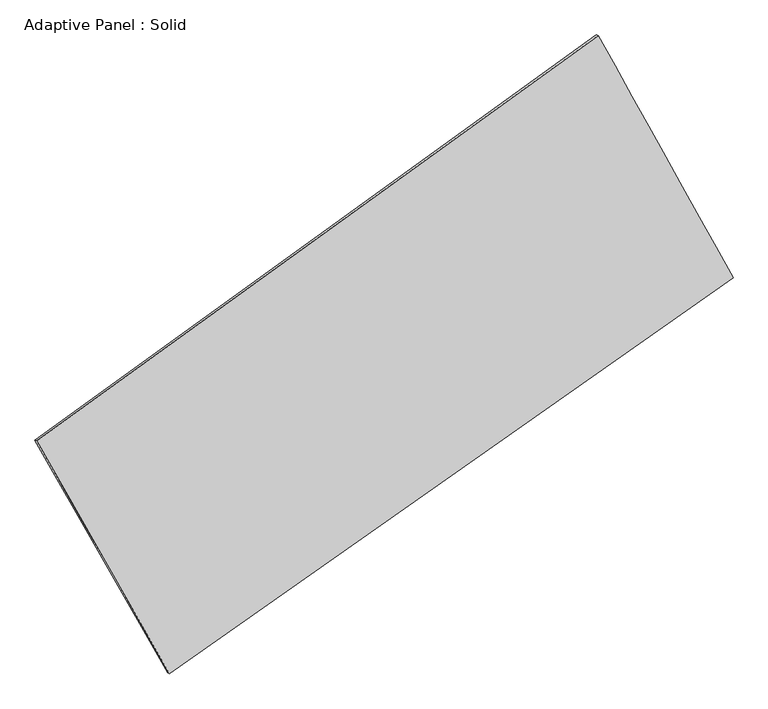
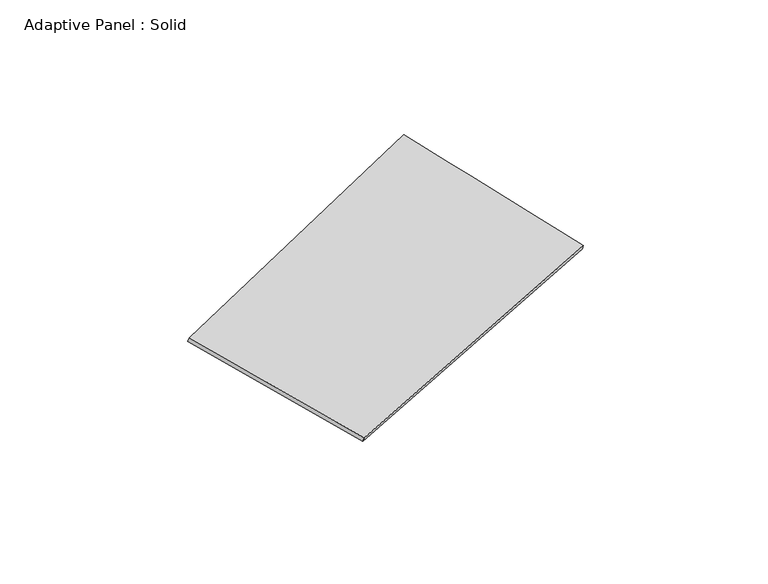
"""IFC4 building model written with IfcOpenShell, lengths in millimetres: plate geometry, Adaptive Panel : Solid."""

import ifcopenshell
import ifcopenshell.guid

model = None  # the IFC model being written
_history = None  # IfcOwnerHistory: only IFC2X3 demands one
_inside = {}  # id of a spatial element -> (the spatial element, [elements in it])
_under = {}  # id of a project, library or spatial element -> (it, [spatial elements below it])
_declared = {}  # id of a project -> (the project, [libraries it declares])
_typed = {}  # id of a type object -> (the type object, [elements of that type])
_made_of = {}  # id of a material, layer set ... -> (it, [elements and type objects made of it])


def new_model(schema):
    """Start an empty IFC model of exactly this schema.

    Asked for "IFC4X3", IfcOpenShell would pick the latest addendum, in which some entities
    have other attributes; the version numbers below select the first issue.
    IFC2X3 requires an IfcOwnerHistory on every rooted entity: one is made here for all.
    """
    global model, _history
    if schema == "IFC4X3":
        model = ifcopenshell.file(schema_version=(4, 3, 0, 0))
    else:
        model = ifcopenshell.file(schema=schema)
    _inside.clear()
    _under.clear()
    _declared.clear()
    _typed.clear()
    _made_of.clear()
    _history = None
    if model.schema == "IFC2X3":
        org = make("IfcOrganization", Name="unknown")
        user = make(
            "IfcPersonAndOrganization",
            ThePerson=make("IfcPerson", FamilyName="unknown"),
            TheOrganization=org,
        )
        app = make(
            "IfcApplication",
            ApplicationDeveloper=org,
            Version="unknown",
            ApplicationFullName="unknown",
            ApplicationIdentifier="unknown",
        )
        _history = make(
            "IfcOwnerHistory",
            OwningUser=user,
            OwningApplication=app,
            ChangeAction="ADDED",
            CreationDate=0,
        )
    return model


def make(cls, **values):
    """One entity of the class cls with the attributes given. An attribute that is None is left unset."""
    return model.create_entity(
        cls, **{name: value for name, value in values.items() if value is not None}
    )


def rooted(cls, **values):
    """An entity with a GlobalId (a new one), such as an element, a storey or a relation."""
    return make(cls, GlobalId=ifcopenshell.guid.new(), OwnerHistory=_history, **values)


def si_unit(unit_type, name, prefix=None):
    """IfcSIUnit, for example si_unit("LENGTHUNIT", "METRE", prefix="MILLI")."""
    return make("IfcSIUnit", UnitType=unit_type, Prefix=prefix, Name=name)


def assignment(units):
    """IfcUnitAssignment: the units of a project."""
    return None if units is None else make("IfcUnitAssignment", Units=units)


def point(xyz):
    """IfcCartesianPoint."""
    return None if xyz is None else make("IfcCartesianPoint", Coordinates=xyz)


def direction(xyz):
    """IfcDirection."""
    return None if xyz is None else make("IfcDirection", DirectionRatios=xyz)


def frame(location, z_axis=None, x_axis=None):
    """IfcAxis2Placement3D, a coordinate frame: its origin and axes. An axis left out is left unset."""
    return make(
        "IfcAxis2Placement3D",
        Location=point(location),
        Axis=direction(z_axis),
        RefDirection=direction(x_axis),
    )


def origin():
    """The frame at (0, 0, 0) with its axes left unset."""
    return frame((0.0, 0.0, 0.0))


def place(relative_to, where):
    """IfcLocalPlacement: puts the frame where relative to a parent placement (None: the world)."""
    return make(
        "IfcLocalPlacement", PlacementRelTo=relative_to, RelativePlacement=where
    )


def context(
    kind, dimensions, precision=None, world=None, true_north=None, identifier=None
):
    """IfcGeometricRepresentationContext, for example the 3D "Model" context."""
    return make(
        "IfcGeometricRepresentationContext",
        ContextIdentifier=identifier,
        ContextType=kind,
        CoordinateSpaceDimension=dimensions,
        Precision=precision,
        WorldCoordinateSystem=world,
        TrueNorth=true_north,
    )


def project(units=None, contexts=None):
    """IfcProject with its units and contexts."""
    return rooted(
        "IfcProject",
        Name="project",
        RepresentationContexts=contexts,
        UnitsInContext=assignment(units),
    )


def spatial(cls, under=None, at=None, **own):
    """A site, building, storey or space (cls), placed at a placement, below another one or the project."""
    s = rooted(cls, ObjectPlacement=at, **own)
    if under is not None:
        _under.setdefault(under.id(), (under, []))[1].append(s)
    return s


def shape(context_of_items, identifier, shape_type, items):
    """IfcShapeRepresentation: the items that make up one representation, for example the "Body"."""
    return make(
        "IfcShapeRepresentation",
        ContextOfItems=context_of_items,
        RepresentationIdentifier=identifier,
        RepresentationType=shape_type,
        Items=items,
    )


def source(mapping_origin, context_of_items, identifier, shape_type, items):
    """IfcRepresentationMap: a shape defined once, which mapped items show again and again."""
    return make(
        "IfcRepresentationMap",
        MappingOrigin=mapping_origin,
        MappedRepresentation=shape(context_of_items, identifier, shape_type, items),
    )


def transform(
    local_origin,
    x_axis=None,
    y_axis=None,
    z_axis=None,
    scale=None,
    scale2=None,
    scale3=None,
    uniform=True,
):
    """IfcCartesianTransformationOperator3D, or its non-uniform kind. x_axis, y_axis, z_axis: its Axis1, 2, 3."""
    if uniform:
        return make(
            "IfcCartesianTransformationOperator3D",
            Axis1=direction(x_axis),
            Axis2=direction(y_axis),
            LocalOrigin=point(local_origin),
            Scale=scale,
            Axis3=direction(z_axis),
        )
    return make(
        "IfcCartesianTransformationOperator3DnonUniform",
        Axis1=direction(x_axis),
        Axis2=direction(y_axis),
        LocalOrigin=point(local_origin),
        Scale=scale,
        Axis3=direction(z_axis),
        Scale2=scale2,
        Scale3=scale3,
    )


def mapped(mapping_source, mapping_target):
    """IfcMappedItem: shows the shape of a source again, moved by a transform."""
    return make(
        "IfcMappedItem", MappingSource=mapping_source, MappingTarget=mapping_target
    )


def made_of(thing, what):
    """Note that an element or type object is made of a material, layer set ...; save() writes the relation."""
    if what is not None:
        _made_of.setdefault(what.id(), (what, []))[1].append(thing)
    return thing


def element(
    cls,
    number,
    at=None,
    inside=None,
    cuts=None,
    type_object=None,
    material=None,
    context=None,
    identifier="Body",
    shape_type=None,
    held_by="IfcProductDefinitionShape",
    body=None,
    shapes=None,
    **own,
):
    """One element of the class cls, such as IfcWall. Its Tag is "e" and its number.

    at: its placement. inside: the storey or other place that contains it. cuts: it is an
    opening in that element (IfcRelVoidsElement). A single representation is given by context,
    identifier, shape_type and body (its items); several are given by shapes. held_by: the class
    of the entity that holds the representations. save() writes the other relations.
    """
    e = rooted(cls, Tag="e%d" % number, ObjectPlacement=at, **own)
    if body is not None:
        shapes = [shape(context, identifier, shape_type, body)]
    if shapes is not None:
        e.Representation = make(held_by, Representations=shapes)
    if inside is not None:
        _inside.setdefault(inside.id(), (inside, []))[1].append(e)
    if cuts is not None:
        rooted(
            "IfcRelVoidsElement", RelatingBuildingElement=cuts, RelatedOpeningElement=e
        )
    if type_object is not None:
        _typed.setdefault(type_object.id(), (type_object, []))[1].append(e)
    return made_of(e, material)


def aggregate(whole, parts):
    """IfcRelAggregates: a whole, such as a stair, and the parts it consists of."""
    return rooted("IfcRelAggregates", RelatingObject=whole, RelatedObjects=parts)


def save(model, path):
    """Write the relations noted so far, then the file.

    IfcRelAggregates (storeys below a building ...), IfcRelContainedInSpatialStructure (elements
    in a storey), IfcRelDefinesByType, IfcRelAssociatesMaterial and IfcRelDeclares: one each for
    every whole, place, type object, material and project.
    """
    for whole, parts in _under.values():
        aggregate(whole, parts)
    for where, things in _inside.values():
        rooted(
            "IfcRelContainedInSpatialStructure",
            RelatedElements=things,
            RelatingStructure=where,
        )
    for kind, things in _typed.values():
        rooted("IfcRelDefinesByType", RelatedObjects=things, RelatingType=kind)
    for what, things in _made_of.values():
        rooted("IfcRelAssociatesMaterial", RelatedObjects=things, RelatingMaterial=what)
    for by, libraries in _declared.values():
        rooted("IfcRelDeclares", RelatingContext=by, RelatedDefinitions=libraries)
    model.write(path)


def plane_surface(at):
    """IfcPlane: the flat surface through the origin of the frame at, square to its z axis."""
    return make("IfcPlane", Position=at)


def spline_surface(u_degree, v_degree, points, u_multiplicities, v_multiplicities, u_knots, v_knots, weights=None):
    """IfcBSplineSurfaceWithKnots; with weights, IfcRationalBSplineSurfaceWithKnots. points: one row for each step in u."""
    own = dict(
        UDegree=u_degree,
        VDegree=v_degree,
        ControlPointsList=[[point(p) for p in row] for row in points],
        SurfaceForm="UNSPECIFIED",
        UClosed=False,
        VClosed=False,
        SelfIntersect=False,
        UMultiplicities=u_multiplicities,
        VMultiplicities=v_multiplicities,
        UKnots=u_knots,
        VKnots=v_knots,
        KnotSpec="UNSPECIFIED",
    )
    if weights is None:
        return make("IfcBSplineSurfaceWithKnots", **own)
    return make("IfcRationalBSplineSurfaceWithKnots", WeightsData=weights, **own)


def advanced_brep(points, edges, surfaces, faces):
    """IfcAdvancedBrep: a solid bounded by faces that lie on surfaces and meet in shared edges.

    An edge is (start, end): straight between two places in points (the first is 0);
    or (start, end, curve); or (start, end, curve, False) where it runs against its curve.
    A face is (place in surfaces, loops), or (place, loops, False) where it looks against
    its surface's normal. A loop lists edges by number (the first is 1), with a minus sign
    where the edge is run from its end to its start. The first loop is the outer one.
    """
    corners = [point(p) for p in points]
    vertices = [make("IfcVertexPoint", VertexGeometry=c) for c in corners]
    made = []
    for start, end, *more in edges:
        made.append(
            make(
                "IfcEdgeCurve",
                EdgeStart=vertices[start],
                EdgeEnd=vertices[end],
                EdgeGeometry=more[0] if more else make("IfcPolyline", Points=[corners[start], corners[end]]),
                SameSense=more[1] if len(more) > 1 else True,
            )
        )
    hull = []
    for where, loops, *sense in faces:
        bounds = []
        for j, loop in enumerate(loops):
            ring = [make("IfcOrientedEdge", EdgeElement=made[abs(k) - 1], Orientation=k > 0) for k in loop]
            bounds.append(
                make(
                    "IfcFaceOuterBound" if j == 0 else "IfcFaceBound",
                    Bound=make("IfcEdgeLoop", EdgeList=ring),
                    Orientation=True,
                )
            )
        hull.append(make("IfcAdvancedFace", Bounds=bounds, FaceSurface=surfaces[where], SameSense=sense[0] if sense else True))
    return make("IfcAdvancedBrep", Outer=make("IfcClosedShell", CfsFaces=hull))


def adaptive_panel_solid_5d2118bd(model_context):
    return source(origin(), model_context, "Body", "AdvancedBrep", [
        advanced_brep(
        [(1149.0189493, 2604.5376907, 700.5570373), (-3577.2983791, -806.3402475, 1658.9677948), (-3562.6320233, -812.720341, 1706.3407028), (1163.6853051, 2598.1575972, 747.9299454), (-2459.8406224, -2766.2436122, 1095.4963642), (-2445.1742665, -2772.6237056, 1142.8692722), (2284.829474, 567.7975962, 30.1013239), (2299.4958299, 561.4175027, 77.4742319)],
        [
            (0, 1),
            (1, 2),
            (2, 3),
            (3, 0),
            (1, 4),
            (4, 5),
            (5, 2),
            (4, 6),
            (6, 7),
            (7, 5),
            (6, 0),
            (3, 7),
        ],
        [
            plane_surface(frame((-1214.1397149, 899.0987216, 1179.7624161), z_axis=(-0.5264157721457912, 0.8057176566049543, 0.27148755527863766), x_axis=(-0.8001436124052806, -0.5774458220447641, 0.16225449802724892))),
            plane_surface(frame((-3018.5695007, -1786.2919298, 1377.2320795), z_axis=(-0.8296126031966645, -0.5264690005338487, 0.18593902251583572), x_axis=(0.48054663150339716, -0.8428282450029086, -0.24231278211447146))),
            plane_surface(frame((-87.5055742, -1099.223008, 562.798844), z_axis=(0.5127204891067143, -0.8154708007316802, -0.2685611163296054), x_axis=(0.8047272311916397, 0.565475300861959, -0.1806980008016533))),
            plane_surface(frame((1716.9242117, 1586.1676434, 365.3291806), z_axis=(0.8306550775765341, 0.5246197241465079, -0.1865108230981901), x_axis=(-0.4680865575572835, 0.8393747360816451, 0.27630603877230153))),
            spline_surface(1, 1, [[(-3562.6320233, -812.720341, 1706.3407028), (1163.6853051, 2598.1575972, 747.9299454)], [(-2445.1742665, -2772.6237056, 1142.8692722), (2299.4958299, 561.4175027, 77.4742319)]], [2, 2], [2, 2], [0.0, 1.0], [0.0, 1.0]),
            spline_surface(1, 1, [[(2284.829474, 567.7975962, 30.1013239), (1149.0189493, 2604.5376907, 700.5570373)], [(-2459.8406224, -2766.2436122, 1095.4963642), (-3577.2983791, -806.3402475, 1658.9677948)]], [2, 2], [2, 2], [0.0, 1.0], [0.0, 1.0]),
        ],
        [
            (0, [[1, 2, 3, 4]]),
            (1, [[5, 6, 7, -2]]),
            (2, [[8, 9, 10, -6]]),
            (3, [[11, -4, 12, -9]]),
            (4, [[-3, -7, -10, -12]]),
            (5, [[-11, -8, -5, -1]]),
        ],
    ),
    ])


if __name__ == "__main__":
    model = new_model("IFC4")
    model_context = context("Model", 3, world=origin())
    ifc_project = project(units=[si_unit("LENGTHUNIT", "METRE", prefix="MILLI")], contexts=[model_context])
    site = spatial("IfcSite", under=ifc_project)
    building = spatial("IfcBuilding", under=site)
    placement = place(None, origin())
    adaptive_panel_solid_shape = adaptive_panel_solid_5d2118bd(model_context)
    element("IfcPlate", 1, ObjectType="Adaptive Panel : Solid", at=placement, inside=building, context=model_context, shape_type="MappedRepresentation", body=[
        mapped(adaptive_panel_solid_shape, transform((0.0, 0.0, 0.0), x_axis=(1.0, 0.0, 0.0), y_axis=(0.0, 1.0, 0.0), z_axis=(0.0, 0.0, 1.0))),
    ])
    save(model, "model.ifc")
